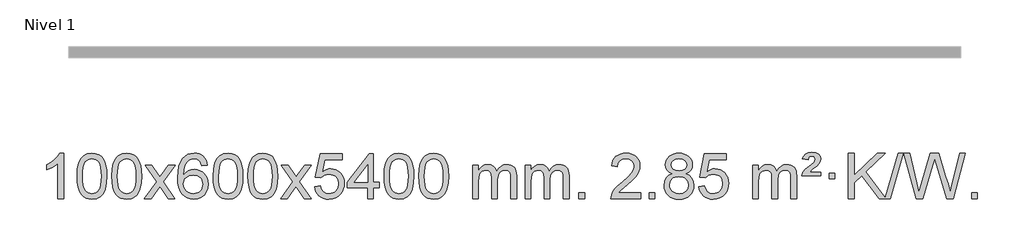
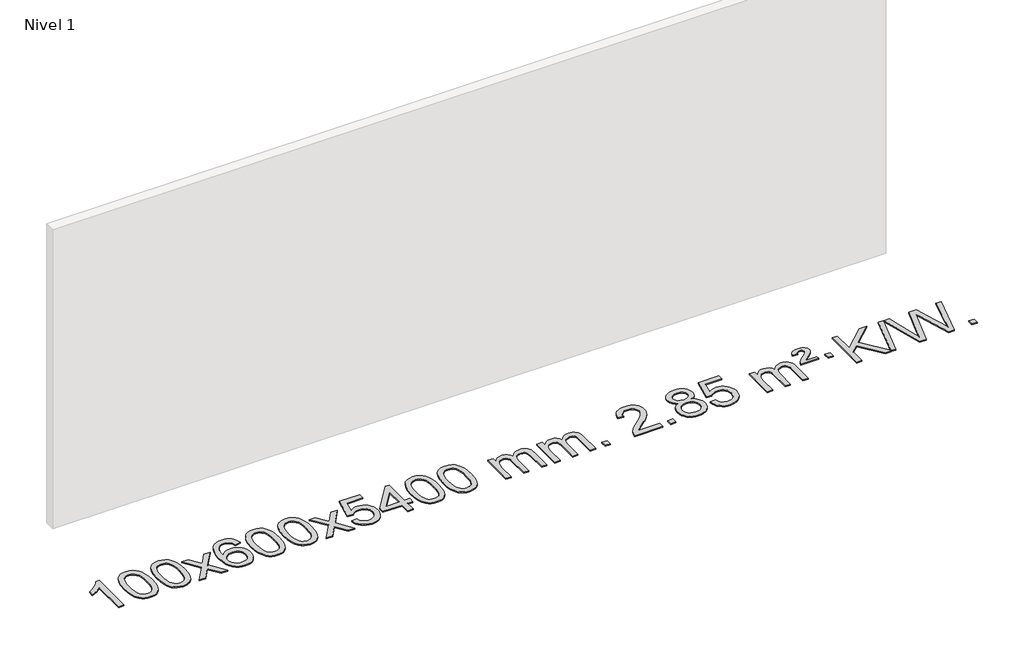
# One storey, part 2 of 10: 1 proxy.
"""IFC4 building model written with IfcOpenShell, lengths in millimetres."""

from ifc_helpers import new_model, si_unit, origin, origin_with_axes, place, context, project, spatial, polyline, outline, extrude, element, save

model = new_model("IFC4")

# Units and contexts
model_context = context("Model", 3, world=origin())
ifc_project = project(units=[si_unit("LENGTHUNIT", "METRE", prefix="MILLI")], contexts=[model_context])

# Site, building, storey
site = spatial("IfcSite", under=ifc_project)
building = spatial("IfcBuilding", under=site)
storey = spatial("IfcBuildingStorey", under=building, Name="Nivel 1", Elevation=0.0)

# Proxy
placement = place(None, origin())
element("IfcBuildingElementProxy", 1, Name="Texto de modelo 1", ObjectType="Texto de modelo 1", at=placement, inside=storey, context=model_context, shape_type="SweptSolid", body=[
    extrude(outline(polyline([(-13075.4615788, -9420.579453), (-13125.6897338, -9420.579453), (-13125.6897338, -9107.4382987), (-13146.6590076, -9124.3976587), (-13173.2691385, -9141.3324932), (-13226.146044, -9166.6918254), (-13226.146044, -9119.2105225), (-13186.6968314, -9097.7507395), (-13152.520594, -9072.219729), (-13125.5793692, -9045.0700378), (-13107.8351943, -9018.7542124), (-13075.4615788, -9018.7542124), (-13075.4615788, -9420.579453)])), origin_with_axes(), (0.0, 0.0, 1.0), 10.0),
    extrude(outline(polyline([(-12956.1697105, -9222.9041943), (-12952.4786278, -9158.5861588), (-12941.4053797, -9107.2911459), (-12923.0603309, -9068.2343407), (-12911.2022679, -9053.0009605), (-12897.5538459, -9040.6309284), (-12882.0690796, -9031.0598651), (-12864.7019837, -9024.2233914), (-12824.3208034, -9018.7542124), (-12793.3696649, -9021.991574), (-12765.6558879, -9031.7036586), (-12742.4793222, -9047.5103217), (-12725.1398175, -9069.0314184), (-12712.0432185, -9096.0830078), (-12701.5953698, -9128.4811488), (-12694.7527647, -9169.6226186), (-12692.4718963, -9222.9041943), (-12696.1261908, -9286.8543477), (-12707.0890743, -9338.0267333), (-12725.3237585, -9377.1203266), (-12737.1542303, -9392.3996922), (-12750.7934553, -9404.8341036), (-12766.2966157, -9414.4695462), (-12783.7188939, -9421.3520052), (-12824.3208034, -9426.8579724), (-12851.9855294, -9424.4667394), (-12876.5109958, -9417.2930405), (-12897.8972024, -9405.3368757), (-12916.1441494, -9388.5982449), (-12933.6553324, -9358.3399508), (-12946.1633202, -9320.6381776), (-12953.6681129, -9275.4929255), (-12956.1697105, -9222.9041943)]), holes=[polyline([(-12905.9415554, -9222.8060924), (-12904.4700274, -9266.4706195), (-12900.0554435, -9301.8148822), (-12892.6978036, -9328.8388804), (-12882.3971077, -9347.5426142), (-12869.9381708, -9360.2682656), (-12856.1058078, -9369.3580165), (-12840.9000186, -9374.8118671), (-12824.3208034, -9376.6298173), (-12807.7415881, -9374.8057357), (-12792.535799, -9369.3334911), (-12778.703436, -9360.2130833), (-12766.2444991, -9347.4445124), (-12755.9438032, -9328.7101217), (-12748.5861633, -9301.6922549), (-12744.1715794, -9266.3909118), (-12742.7000514, -9222.8060924), (-12744.1225284, -9180.2973278), (-12748.3899596, -9145.5753989), (-12755.5023448, -9118.6403055), (-12765.4596842, -9099.4920476), (-12777.7101546, -9086.1440625), (-12791.7019332, -9076.6097875), (-12807.4350198, -9070.8892225), (-12824.9094146, -9068.9823675), (-12841.4027907, -9070.6623619), (-12856.3510624, -9075.7023452), (-12869.7542298, -9084.1023175), (-12881.6122928, -9095.8622786), (-12892.2563452, -9116.708925), (-12899.8592397, -9144.8151094), (-12904.4209765, -9180.1808319), (-12905.9415554, -9222.8060924)])]), origin_with_axes(), (0.0, 0.0, 1.0), 10.0),
    extrude(outline(polyline([(-12648.5222606, -9222.9041943), (-12644.8311779, -9158.5861588), (-12633.7579299, -9107.2911459), (-12615.4128811, -9068.2343407), (-12603.5548181, -9053.0009605), (-12589.9063961, -9040.6309284), (-12574.4216298, -9031.0598651), (-12557.0545339, -9024.2233914), (-12516.6733536, -9018.7542124), (-12485.722215, -9021.991574), (-12458.0084381, -9031.7036586), (-12434.8318724, -9047.5103217), (-12417.4923677, -9069.0314184), (-12404.3957686, -9096.0830078), (-12393.94792, -9128.4811488), (-12387.1053149, -9169.6226186), (-12384.8244465, -9222.9041943), (-12388.478741, -9286.8543477), (-12399.4416244, -9338.0267333), (-12417.6763087, -9377.1203266), (-12429.5067805, -9392.3996922), (-12443.1460055, -9404.8341036), (-12458.6491659, -9414.4695462), (-12476.071444, -9421.3520052), (-12516.6733536, -9426.8579724), (-12544.3380796, -9424.4667394), (-12568.8635459, -9417.2930405), (-12590.2497526, -9405.3368757), (-12608.4966996, -9388.5982449), (-12626.0078825, -9358.3399508), (-12638.5158704, -9320.6381776), (-12646.0206631, -9275.4929255), (-12648.5222606, -9222.9041943)]), holes=[polyline([(-12598.2941056, -9222.8060924), (-12596.8225776, -9266.4706195), (-12592.4079936, -9301.8148822), (-12585.0503537, -9328.8388804), (-12574.7496579, -9347.5426142), (-12562.290721, -9360.2682656), (-12548.4583579, -9369.3580165), (-12533.2525688, -9374.8118671), (-12516.6733536, -9376.6298173), (-12500.0941383, -9374.8057357), (-12484.8883492, -9369.3334911), (-12471.0559862, -9360.2130833), (-12458.5970493, -9347.4445124), (-12448.2963534, -9328.7101217), (-12440.9387135, -9301.6922549), (-12436.5241295, -9266.3909118), (-12435.0526016, -9222.8060924), (-12436.4750786, -9180.2973278), (-12440.7425098, -9145.5753989), (-12447.854895, -9118.6403055), (-12457.8122343, -9099.4920476), (-12470.0627048, -9086.1440625), (-12484.0544833, -9076.6097875), (-12499.78757, -9070.8892225), (-12517.2619648, -9068.9823675), (-12533.7553409, -9070.6623619), (-12548.7036126, -9075.7023452), (-12562.10678, -9084.1023175), (-12573.9648429, -9095.8622786), (-12584.6088953, -9116.708925), (-12592.2117899, -9144.8151094), (-12596.7735266, -9180.1808319), (-12598.2941056, -9222.8060924)])]), origin_with_axes(), (0.0, 0.0, 1.0), 10.0),
    extrude(outline(polyline([(-12359.7103689, -9420.579453), (-12252.3869282, -9272.2494325), (-12353.4318496, -9125.4890419), (-12293.0011005, -9125.4890419), (-12244.2444734, -9196.122385), (-12221.4848406, -9229.4770192), (-12201.7663657, -9202.2047007), (-12146.2407099, -9125.4890419), (-12085.8099608, -9125.4890419), (-12191.9561791, -9272.2494325), (-12089.7340354, -9420.579453), (-12150.1647845, -9420.579453), (-12211.6746541, -9331.4048574), (-12222.9563686, -9315.1199477), (-12299.2796199, -9420.579453), (-12359.7103689, -9420.579453)])), origin_with_axes(), (0.0, 0.0, 1.0), 10.0),
    extrude(outline(polyline([(-11800.9221437, -9125.4890419), (-11851.1502988, -9131.7675613), (-11859.2437027, -9106.874213), (-11870.1820607, -9089.8780648), (-11892.9662189, -9074.2062918), (-11920.5083176, -9068.9823675), (-11943.8565616, -9072.0235253), (-11965.8313794, -9081.1469988), (-11984.7037258, -9100.3627017), (-12000.1179814, -9126.8134171), (-12010.5290419, -9164.227016), (-12014.3918028, -9216.3313693), (-11994.2441322, -9192.8237098), (-11970.0988106, -9176.2567573), (-11943.3047386, -9166.434308), (-11915.2108169, -9163.1601582), (-11891.077758, -9165.398107), (-11868.8086346, -9172.1119534), (-11848.4034466, -9183.3016975), (-11829.862194, -9198.9673391), (-11814.4540698, -9218.1769106), (-11803.4482668, -9239.9984443), (-11796.844785, -9264.4319401), (-11794.6436244, -9291.4773982), (-11798.7884282, -9327.4439945), (-11811.2228396, -9360.786366), (-11830.9167891, -9389.0642287), (-11856.840207, -9409.8372987), (-11887.815871, -9422.602804), (-11922.6665587, -9426.8579724), (-11952.6090874, -9424.0375437), (-11979.6514797, -9415.5762579), (-12003.7937357, -9401.4741147), (-12025.0358552, -9381.7311143), (-12042.3539001, -9355.5133908), (-12054.7239322, -9321.9870783), (-12062.1459515, -9281.1521768), (-12064.6199579, -9233.0086864), (-12061.8731057, -9179.0342663), (-12053.632549, -9132.9693092), (-12039.8982878, -9094.8138149), (-12020.6703222, -9064.5677835), (-11999.8298072, -9044.5243462), (-11975.6660915, -9030.2076052), (-11948.179175, -9021.6175606), (-11917.3690579, -9018.7542124), (-11894.2354118, -9020.5261773), (-11873.2967949, -9025.8420722), (-11854.5532073, -9034.7018969), (-11838.0046489, -9047.1056515), (-11824.0987094, -9062.6364031), (-11813.2829788, -9080.8772186), (-11805.5574569, -9101.8280983), (-11800.9221437, -9125.4890419)]), holes=[polyline([(-12014.3918028, -9290.6925832), (-12011.485535, -9312.9494439), (-12002.7667318, -9334.2007605), (-11989.2286743, -9352.472233), (-11971.8646442, -9365.7895612), (-11950.9076332, -9373.9197533), (-11926.5906333, -9376.6298173), (-11893.4444655, -9371.0134855), (-11879.5293291, -9363.9930708), (-11867.3861575, -9354.1644901), (-11857.5361171, -9341.9262824), (-11850.500374, -9327.6769865), (-11844.8717794, -9293.1451299), (-11850.4267976, -9259.9989621), (-11857.3705702, -9246.3781312), (-11867.0918519, -9234.725469), (-11879.2718117, -9225.3904634), (-11893.5916183, -9218.7226022), (-11928.6507725, -9213.3883133), (-11961.7478893, -9218.7226022), (-11989.4248781, -9234.725469), (-12000.3479076, -9246.2248471), (-12008.1500716, -9259.3858254), (-12012.83137, -9274.2084042), (-12014.3918028, -9290.6925832)])]), origin_with_axes(), (0.0, 0.0, 1.0), 10.0),
    extrude(outline(polyline([(-11750.6939887, -9222.9041943), (-11747.002906, -9158.5861588), (-11735.9296579, -9107.2911459), (-11717.5846091, -9068.2343407), (-11705.7265461, -9053.0009605), (-11692.0781241, -9040.6309284), (-11676.5933578, -9031.0598651), (-11659.2262619, -9024.2233914), (-11618.8450816, -9018.7542124), (-11587.8939431, -9021.991574), (-11560.1801661, -9031.7036586), (-11537.0036004, -9047.5103217), (-11519.6640957, -9069.0314184), (-11506.5674967, -9096.0830078), (-11496.119648, -9128.4811488), (-11489.2770429, -9169.6226186), (-11486.9961745, -9222.9041943), (-11490.650469, -9286.8543477), (-11501.6133525, -9338.0267333), (-11519.8480367, -9377.1203266), (-11531.6785085, -9392.3996922), (-11545.3177335, -9404.8341036), (-11560.8208939, -9414.4695462), (-11578.2431721, -9421.3520052), (-11618.8450816, -9426.8579724), (-11646.5098076, -9424.4667394), (-11671.035274, -9417.2930405), (-11692.4214806, -9405.3368757), (-11710.6684276, -9388.5982449), (-11728.1796106, -9358.3399508), (-11740.6875984, -9320.6381776), (-11748.1923911, -9275.4929255), (-11750.6939887, -9222.9041943)]), holes=[polyline([(-11700.4658336, -9222.8060924), (-11698.9943056, -9266.4706195), (-11694.5797217, -9301.8148822), (-11687.2220818, -9328.8388804), (-11676.9213859, -9347.5426142), (-11664.462449, -9360.2682656), (-11650.630086, -9369.3580165), (-11635.4242968, -9374.8118671), (-11618.8450816, -9376.6298173), (-11602.2658663, -9374.8057357), (-11587.0600772, -9369.3334911), (-11573.2277142, -9360.2130833), (-11560.7687773, -9347.4445124), (-11550.4680814, -9328.7101217), (-11543.1104415, -9301.6922549), (-11538.6958576, -9266.3909118), (-11537.2243296, -9222.8060924), (-11538.6468066, -9180.2973278), (-11542.9142378, -9145.5753989), (-11550.026623, -9118.6403055), (-11559.9839624, -9099.4920476), (-11572.2344328, -9086.1440625), (-11586.2262114, -9076.6097875), (-11601.959298, -9070.8892225), (-11619.4336928, -9068.9823675), (-11635.9270689, -9070.6623619), (-11650.8753406, -9075.7023452), (-11664.278508, -9084.1023175), (-11676.136571, -9095.8622786), (-11686.7806234, -9116.708925), (-11694.3835179, -9144.8151094), (-11698.9452547, -9180.1808319), (-11700.4658336, -9222.8060924)])]), origin_with_axes(), (0.0, 0.0, 1.0), 10.0),
    extrude(outline(polyline([(-11443.0465388, -9222.9041943), (-11439.3554561, -9158.5861588), (-11428.2822081, -9107.2911459), (-11409.9371593, -9068.2343407), (-11398.0790963, -9053.0009605), (-11384.4306743, -9040.6309284), (-11368.945908, -9031.0598651), (-11351.5788121, -9024.2233914), (-11311.1976318, -9018.7542124), (-11280.2464932, -9021.991574), (-11252.5327163, -9031.7036586), (-11229.3561506, -9047.5103217), (-11212.0166459, -9069.0314184), (-11198.9200468, -9096.0830078), (-11188.4721982, -9128.4811488), (-11181.6295931, -9169.6226186), (-11179.3487247, -9222.9041943), (-11183.0030192, -9286.8543477), (-11193.9659026, -9338.0267333), (-11212.2005869, -9377.1203266), (-11224.0310587, -9392.3996922), (-11237.6702837, -9404.8341036), (-11253.1734441, -9414.4695462), (-11270.5957222, -9421.3520052), (-11311.1976318, -9426.8579724), (-11338.8623578, -9424.4667394), (-11363.3878241, -9417.2930405), (-11384.7740308, -9405.3368757), (-11403.0209778, -9388.5982449), (-11420.5321607, -9358.3399508), (-11433.0401486, -9320.6381776), (-11440.5449413, -9275.4929255), (-11443.0465388, -9222.9041943)]), holes=[polyline([(-11392.8183838, -9222.8060924), (-11391.3468558, -9266.4706195), (-11386.9322718, -9301.8148822), (-11379.5746319, -9328.8388804), (-11369.2739361, -9347.5426142), (-11356.8149992, -9360.2682656), (-11342.9826361, -9369.3580165), (-11327.776847, -9374.8118671), (-11311.1976318, -9376.6298173), (-11294.6184165, -9374.8057357), (-11279.4126274, -9369.3334911), (-11265.5802644, -9360.2130833), (-11253.1213275, -9347.4445124), (-11242.8206316, -9328.7101217), (-11235.4629917, -9301.6922549), (-11231.0484077, -9266.3909118), (-11229.5768798, -9222.8060924), (-11230.9993568, -9180.2973278), (-11235.266788, -9145.5753989), (-11242.3791732, -9118.6403055), (-11252.3365125, -9099.4920476), (-11264.586983, -9086.1440625), (-11278.5787615, -9076.6097875), (-11294.3118482, -9070.8892225), (-11311.786243, -9068.9823675), (-11328.2796191, -9070.6623619), (-11343.2278908, -9075.7023452), (-11356.6310582, -9084.1023175), (-11368.4891211, -9095.8622786), (-11379.1331735, -9116.708925), (-11386.7360681, -9144.8151094), (-11391.2978048, -9180.1808319), (-11392.8183838, -9222.8060924)])]), origin_with_axes(), (0.0, 0.0, 1.0), 10.0),
    extrude(outline(polyline([(-11154.2346472, -9420.579453), (-11046.9112064, -9272.2494325), (-11147.9561278, -9125.4890419), (-11087.5253787, -9125.4890419), (-11038.7687516, -9196.122385), (-11016.0091188, -9229.4770192), (-10996.2906439, -9202.2047007), (-10940.7649881, -9125.4890419), (-10880.334239, -9125.4890419), (-10986.4804574, -9272.2494325), (-10884.2583136, -9420.579453), (-10944.6890627, -9420.579453), (-11006.1989323, -9331.4048574), (-11017.4806468, -9315.1199477), (-11093.8038981, -9420.579453), (-11154.2346472, -9420.579453)])), origin_with_axes(), (0.0, 0.0, 1.0), 10.0),
    extrude(outline(polyline([(-10852.8657167, -9313.8446235), (-10802.6375616, -9307.5661041), (-10793.4159863, -9337.7201649), (-10777.3272804, -9359.3148381), (-10754.4450203, -9372.3010725), (-10724.8427824, -9376.6298173), (-10705.7129186, -9375.1245668), (-10688.8393978, -9370.6088153), (-10674.2222198, -9363.0825628), (-10661.8613848, -9352.5458094), (-10652.0328042, -9339.519721), (-10645.0123894, -9324.5254641), (-10639.3960576, -9288.6324441), (-10644.6567702, -9254.8363514), (-10651.2326608, -9240.9181493), (-10660.4389078, -9228.9865099), (-10672.3061678, -9219.4154467), (-10686.8650977, -9212.5789729), (-10724.0579675, -9207.1097939), (-10748.4240183, -9209.2925604), (-10768.1547559, -9215.8408599), (-10783.9123681, -9225.8717757), (-10796.3590422, -9238.5023908), (-10846.5871973, -9232.2238715), (-10802.6375616, -9025.0327318), (-10608.0034607, -9025.0327318), (-10608.0034607, -9075.2608869), (-10762.0233894, -9075.2608869), (-10783.5076979, -9185.919791), (-10765.7819171, -9173.2155994), (-10747.6269406, -9164.1411769), (-10729.0427685, -9158.6965234), (-10710.0294007, -9156.8816388), (-10685.5683137, -9159.1318504), (-10663.0999209, -9165.882485), (-10642.6242221, -9177.1335427), (-10624.1412176, -9192.8850234), (-10608.8403923, -9212.1743027), (-10597.9112313, -9234.038756), (-10591.3537348, -9258.4783832), (-10589.1679026, -9285.4931844), (-10591.1360712, -9311.5147042), (-10597.0405773, -9335.7213394), (-10606.8814206, -9358.1130902), (-10620.6586013, -9378.6899565), (-10641.5297732, -9399.7634634), (-10665.8835613, -9414.8159684), (-10693.7199656, -9423.8474714), (-10725.0389861, -9426.8579724), (-10750.9593384, -9424.9235262), (-10774.3719617, -9419.1201877), (-10795.276856, -9409.447957), (-10813.6740215, -9395.9068338), (-10828.9809782, -9379.1712688), (-10840.6152463, -9359.915712), (-10848.5768258, -9338.1401636), (-10852.8657167, -9313.8446235)])), origin_with_axes(), (0.0, 0.0, 1.0), 10.0),
    extrude(outline(polyline([(-10381.9767629, -9420.579453), (-10381.9767629, -9326.4016622), (-10564.053825, -9326.4016622), (-10564.053825, -9276.1735072), (-10369.4197241, -9025.0327318), (-10331.7486078, -9025.0327318), (-10331.7486078, -9276.1735072), (-10281.5204527, -9276.1735072), (-10281.5204527, -9326.4016622), (-10331.7486078, -9326.4016622), (-10331.7486078, -9420.579453), (-10381.9767629, -9420.579453)]), holes=[polyline([(-10381.9767629, -9276.1735072), (-10381.9767629, -9120.9763561), (-10502.2496498, -9276.1735072), (-10381.9767629, -9276.1735072)])]), origin_with_axes(), (0.0, 0.0, 1.0), 10.0),
    extrude(outline(polyline([(-10237.570817, -9222.9041943), (-10233.8797344, -9158.5861588), (-10222.8064863, -9107.2911459), (-10204.4614375, -9068.2343407), (-10192.6033745, -9053.0009605), (-10178.9549525, -9040.6309284), (-10163.4701862, -9031.0598651), (-10146.1030903, -9024.2233914), (-10105.72191, -9018.7542124), (-10074.7707714, -9021.991574), (-10047.0569945, -9031.7036586), (-10023.8804288, -9047.5103217), (-10006.5409241, -9069.0314184), (-9993.444325, -9096.0830078), (-9982.9964764, -9128.4811488), (-9976.1538713, -9169.6226186), (-9973.8730029, -9222.9041943), (-9977.5272974, -9286.8543477), (-9988.4901808, -9338.0267333), (-10006.7248651, -9377.1203266), (-10018.5553369, -9392.3996922), (-10032.1945619, -9404.8341036), (-10047.6977223, -9414.4695462), (-10065.1200004, -9421.3520052), (-10105.72191, -9426.8579724), (-10133.386636, -9424.4667394), (-10157.9121024, -9417.2930405), (-10179.298309, -9405.3368757), (-10197.545256, -9388.5982449), (-10215.0564389, -9358.3399508), (-10227.5644268, -9320.6381776), (-10235.0692195, -9275.4929255), (-10237.570817, -9222.9041943)]), holes=[polyline([(-10187.342662, -9222.8060924), (-10185.871134, -9266.4706195), (-10181.45655, -9301.8148822), (-10174.0989101, -9328.8388804), (-10163.7982143, -9347.5426142), (-10151.3392774, -9360.2682656), (-10137.5069144, -9369.3580165), (-10122.3011252, -9374.8118671), (-10105.72191, -9376.6298173), (-10089.1426947, -9374.8057357), (-10073.9369056, -9369.3334911), (-10060.1045426, -9360.2130833), (-10047.6456057, -9347.4445124), (-10037.3449098, -9328.7101217), (-10029.9872699, -9301.6922549), (-10025.572686, -9266.3909118), (-10024.101158, -9222.8060924), (-10025.523635, -9180.2973278), (-10029.7910662, -9145.5753989), (-10036.9034514, -9118.6403055), (-10046.8607907, -9099.4920476), (-10059.1112612, -9086.1440625), (-10073.1030397, -9076.6097875), (-10088.8361264, -9070.8892225), (-10106.3105212, -9068.9823675), (-10122.8038973, -9070.6623619), (-10137.752169, -9075.7023452), (-10151.1553364, -9084.1023175), (-10163.0133993, -9095.8622786), (-10173.6574517, -9116.708925), (-10181.2603463, -9144.8151094), (-10185.8220831, -9180.1808319), (-10187.342662, -9222.8060924)])]), origin_with_axes(), (0.0, 0.0, 1.0), 10.0),
    extrude(outline(polyline([(-9929.9233672, -9222.9041943), (-9926.2322845, -9158.5861588), (-9915.1590365, -9107.2911459), (-9896.8139876, -9068.2343407), (-9884.9559247, -9053.0009605), (-9871.3075026, -9040.6309284), (-9855.8227363, -9031.0598651), (-9838.4556405, -9024.2233914), (-9798.0744601, -9018.7542124), (-9767.1233216, -9021.991574), (-9739.4095446, -9031.7036586), (-9716.2329789, -9047.5103217), (-9698.8934742, -9069.0314184), (-9685.7968752, -9096.0830078), (-9675.3490265, -9128.4811488), (-9668.5064214, -9169.6226186), (-9666.2255531, -9222.9041943), (-9669.8798475, -9286.8543477), (-9680.842731, -9338.0267333), (-9699.0774152, -9377.1203266), (-9710.9078871, -9392.3996922), (-9724.547112, -9404.8341036), (-9740.0502724, -9414.4695462), (-9757.4725506, -9421.3520052), (-9798.0744601, -9426.8579724), (-9825.7391862, -9424.4667394), (-9850.2646525, -9417.2930405), (-9871.6508592, -9405.3368757), (-9889.8978061, -9388.5982449), (-9907.4089891, -9358.3399508), (-9919.9169769, -9320.6381776), (-9927.4217696, -9275.4929255), (-9929.9233672, -9222.9041943)]), holes=[polyline([(-9879.6952121, -9222.8060924), (-9878.2236842, -9266.4706195), (-9873.8091002, -9301.8148822), (-9866.4514603, -9328.8388804), (-9856.1507644, -9347.5426142), (-9843.6918275, -9360.2682656), (-9829.8594645, -9369.3580165), (-9814.6536754, -9374.8118671), (-9798.0744601, -9376.6298173), (-9781.4952449, -9374.8057357), (-9766.2894558, -9369.3334911), (-9752.4570927, -9360.2130833), (-9739.9981558, -9347.4445124), (-9729.69746, -9328.7101217), (-9722.3398201, -9301.6922549), (-9717.9252361, -9266.3909118), (-9716.4537081, -9222.8060924), (-9717.8761852, -9180.2973278), (-9722.1436163, -9145.5753989), (-9729.2560016, -9118.6403055), (-9739.2133409, -9099.4920476), (-9751.4638113, -9086.1440625), (-9765.4555899, -9076.6097875), (-9781.1886766, -9070.8892225), (-9798.6630713, -9068.9823675), (-9815.1564474, -9070.6623619), (-9830.1047192, -9075.7023452), (-9843.5078865, -9084.1023175), (-9855.3659495, -9095.8622786), (-9866.0100019, -9116.708925), (-9873.6128965, -9144.8151094), (-9878.1746332, -9180.1808319), (-9879.6952121, -9222.8060924)])]), origin_with_axes(), (0.0, 0.0, 1.0), 10.0),
    extrude(outline(polyline([(-9452.755894, -9420.579453), (-9452.755894, -9125.4890419), (-9402.5277389, -9125.4890419), (-9402.5277389, -9174.0494653), (-9387.4200517, -9151.7435537), (-9367.9958823, -9134.2691589), (-9344.9174185, -9122.9751816), (-9318.8468478, -9119.2105225), (-9290.9123416, -9123.048758), (-9268.5205908, -9134.5634645), (-9251.7942228, -9152.9943524), (-9240.8558648, -9177.5811324), (-9222.5476041, -9152.0439906), (-9201.6641696, -9133.803175), (-9178.205561, -9122.8586857), (-9152.1717785, -9119.2105225), (-9132.0639617, -9120.7280358), (-9114.414823, -9125.2805755), (-9099.2243623, -9132.8681416), (-9086.4925796, -9143.4907342), (-9076.4279413, -9157.2709806), (-9069.238914, -9174.3315082), (-9064.9254976, -9194.6723168), (-9063.4876922, -9218.2934066), (-9063.4876922, -9420.579453), (-9113.7158472, -9420.579453), (-9113.7158472, -9239.875817), (-9114.8808069, -9214.8230531), (-9118.3756858, -9197.9372695), (-9124.9239854, -9186.3735121), (-9135.2492067, -9177.2868268), (-9148.5297467, -9171.4007149), (-9163.9440023, -9169.4386776), (-9191.1550072, -9174.4663982), (-9213.3382915, -9189.54956), (-9221.9436645, -9201.1194488), (-9228.0903595, -9215.7182326), (-9233.0077155, -9254.0024856), (-9233.0077155, -9420.579453), (-9283.2358706, -9420.579453), (-9283.2358706, -9234.2840106), (-9286.1421384, -9205.8835206), (-9294.8609417, -9185.6254854), (-9310.2016209, -9173.4853796), (-9332.9735164, -9169.4386776), (-9352.3241093, -9172.1364789), (-9370.1541233, -9180.2298828), (-9384.8694032, -9193.5226856), (-9394.8757934, -9211.8186835), (-9400.6147525, -9237.2025411), (-9402.5277389, -9271.7589232), (-9402.5277389, -9420.579453), (-9452.755894, -9420.579453)])), origin_with_axes(), (0.0, 0.0, 1.0), 10.0),
    extrude(outline(polyline([(-8988.1454596, -9420.579453), (-8988.1454596, -9125.4890419), (-8937.9173045, -9125.4890419), (-8937.9173045, -9174.0494653), (-8922.8096172, -9151.7435537), (-8903.3854479, -9134.2691589), (-8880.306984, -9122.9751816), (-8854.2364133, -9119.2105225), (-8826.3019071, -9123.048758), (-8803.9101564, -9134.5634645), (-8787.1837883, -9152.9943524), (-8776.2454303, -9177.5811324), (-8757.9371697, -9152.0439906), (-8737.0537351, -9133.803175), (-8713.5951266, -9122.8586857), (-8687.561344, -9119.2105225), (-8667.4535273, -9120.7280358), (-8649.8043886, -9125.2805755), (-8634.6139279, -9132.8681416), (-8621.8821452, -9143.4907342), (-8611.8175069, -9157.2709806), (-8604.6284796, -9174.3315082), (-8600.3150632, -9194.6723168), (-8598.8772577, -9218.2934066), (-8598.8772577, -9420.579453), (-8649.1054128, -9420.579453), (-8649.1054128, -9239.875817), (-8650.2703724, -9214.8230531), (-8653.7652514, -9197.9372695), (-8660.3135509, -9186.3735121), (-8670.6387722, -9177.2868268), (-8683.9193123, -9171.4007149), (-8699.3335679, -9169.4386776), (-8726.5445728, -9174.4663982), (-8748.7278571, -9189.54956), (-8757.3332301, -9201.1194488), (-8763.4799251, -9215.7182326), (-8768.3972811, -9254.0024856), (-8768.3972811, -9420.579453), (-8818.6254362, -9420.579453), (-8818.6254362, -9234.2840106), (-8821.5317039, -9205.8835206), (-8830.2505072, -9185.6254854), (-8845.5911864, -9173.4853796), (-8868.3630819, -9169.4386776), (-8887.7136749, -9172.1364789), (-8905.5436889, -9180.2298828), (-8920.2589687, -9193.5226856), (-8930.265359, -9211.8186835), (-8936.0043181, -9237.2025411), (-8937.9173045, -9271.7589232), (-8937.9173045, -9420.579453), (-8988.1454596, -9420.579453)])), origin_with_axes(), (0.0, 0.0, 1.0), 10.0),
    extrude(outline(polyline([(-8510.9779863, -9420.579453), (-8510.9779863, -9370.3512979), (-8460.7498313, -9370.3512979), (-8460.7498313, -9420.579453), (-8510.9779863, -9420.579453)])), origin_with_axes(), (0.0, 0.0, 1.0), 10.0),
    extrude(outline(polyline([(-7964.7467999, -9370.3512979), (-7964.7467999, -9420.579453), (-8228.444614, -9420.579453), (-8227.3409681, -9402.8965918), (-8223.0490115, -9385.9494945), (-8210.6636509, -9358.8856424), (-8192.5393313, -9332.6311307), (-8166.3216078, -9305.1503456), (-8129.6560356, -9274.4076736), (-8075.454755, -9226.2641831), (-8042.9339866, -9190.7267824), (-8026.6736024, -9161.884834), (-8021.2534744, -9133.8277005), (-8026.3670341, -9108.6768347), (-8041.7077133, -9087.7688747), (-8065.2889492, -9073.6789943), (-8095.124179, -9068.9823675), (-8126.4554623, -9073.5686297), (-8150.7969876, -9087.3274163), (-8166.5055488, -9109.1796068), (-8171.9379396, -9138.0460807), (-8222.1660947, -9131.7675613), (-8217.8465469, -9105.838012), (-8209.9892006, -9083.1826125), (-8198.5940558, -9063.8013627), (-8183.6611125, -9047.6942627), (-8165.5337272, -9035.0329907), (-8144.5552564, -9025.989225), (-8120.7257002, -9020.5629655), (-8094.0450585, -9018.7542124), (-8067.1252935, -9020.7653006), (-8043.1669785, -9026.7985654), (-8022.1701137, -9036.8540066), (-8004.1346989, -9050.9316242), (-7989.6493453, -9067.9890861), (-7979.3026642, -9086.9840598), (-7973.0946555, -9107.9165453), (-7971.0253193, -9130.7865427), (-7973.2571367, -9154.8092369), (-7979.952589, -9178.4149983), (-7991.8351775, -9202.4254299), (-8009.6284033, -9227.6621347), (-8037.9921051, -9257.7916701), (-8081.5861216, -9296.4805933), (-8139.3681203, -9344.795762), (-8162.0296512, -9370.3512979), (-7964.7467999, -9370.3512979)])), origin_with_axes(), (0.0, 0.0, 1.0), 10.0),
    extrude(outline(polyline([(-7889.4045673, -9420.579453), (-7889.4045673, -9370.3512979), (-7839.1764122, -9370.3512979), (-7839.1764122, -9420.579453), (-7889.4045673, -9420.579453)])), origin_with_axes(), (0.0, 0.0, 1.0), 10.0),
    extrude(outline(polyline([(-7684.3716686, -9199.2616447), (-7711.2638425, -9186.0178929), (-7730.1361888, -9168.0652515), (-7741.2830133, -9145.7716026), (-7744.9986215, -9119.5048281), (-7742.9752705, -9099.0199324), (-7736.9052176, -9080.2395565), (-7726.7884627, -9063.1637006), (-7712.6250059, -9047.7923645), (-7695.0954288, -9035.088173), (-7674.8803132, -9026.0137504), (-7651.979659, -9020.5690969), (-7626.3934662, -9018.7542124), (-7600.6846461, -9020.6120165), (-7577.6123136, -9026.1854287), (-7557.1764688, -9035.4744491), (-7539.3771116, -9048.4790776), (-7524.9561374, -9064.1508506), (-7514.6554415, -9081.4413044), (-7508.475024, -9100.3504389), (-7506.4148848, -9120.8782543), (-7510.0814421, -9146.2989001), (-7521.0811137, -9168.2124043), (-7539.5365271, -9186.0546811), (-7565.5703097, -9199.2616447), (-7534.6559593, -9215.1909351), (-7512.153844, -9238.6495436), (-7498.4318456, -9268.5092989), (-7493.8578461, -9303.6420295), (-7496.1264517, -9328.6947933), (-7502.9322686, -9351.6628926), (-7514.2752968, -9372.5463272), (-7530.1555363, -9391.3450971), (-7549.7391211, -9406.88198), (-7572.1921856, -9417.9797536), (-7597.5147296, -9424.6384177), (-7625.7067531, -9426.8579724), (-7653.8987767, -9424.6292206), (-7679.2213207, -9417.9429654), (-7701.6743852, -9406.7992066), (-7721.25797, -9391.1979443), (-7737.1382095, -9372.26735), (-7748.4812377, -9351.135595), (-7755.2870546, -9327.8026795), (-7757.5556602, -9302.2686033), (-7752.7977197, -9265.7747094), (-7738.5238983, -9235.7555386), (-7715.46996, -9213.2411605), (-7684.3716686, -9199.2616447)]), holes=[polyline([(-7694.7704664, -9120.9763561), (-7690.3190942, -9142.902123), (-7676.9649778, -9160.413306), (-7655.1005246, -9171.8912243), (-7625.118142, -9175.717197), (-7595.8347351, -9171.9157497), (-7574.3013757, -9160.5114079), (-7561.0576239, -9143.5888361), (-7556.6430399, -9123.232699), (-7561.2047767, -9102.1040098), (-7574.8899869, -9084.629615), (-7596.7176519, -9072.8941794), (-7625.7067531, -9068.9823675), (-7654.8797954, -9072.8083402), (-7676.6706722, -9084.2862585), (-7690.2455178, -9101.1107284), (-7694.7704664, -9120.9763561)]), polyline([(-7707.3275051, -9300.5027698), (-7705.2305778, -9319.7184726), (-7698.9397957, -9338.3210389), (-7687.3269873, -9354.5446349), (-7669.2639814, -9366.623427), (-7647.6325201, -9374.1282197), (-7625.3143457, -9376.6298173), (-7591.1258456, -9371.3691048), (-7577.2321689, -9364.7932141), (-7565.4722078, -9355.5869672), (-7549.4325528, -9331.6869002), (-7544.0860012, -9302.0723996), (-7549.6042311, -9271.9551269), (-7566.1589209, -9247.5277625), (-7578.237713, -9238.0854579), (-7592.4011699, -9231.3409547), (-7626.9820774, -9225.9453521), (-7660.6923309, -9231.2673783), (-7674.4296577, -9237.919911), (-7686.0884513, -9247.2334569), (-7702.0177417, -9271.1948375), (-7707.3275051, -9300.5027698)])]), origin_with_axes(), (0.0, 0.0, 1.0), 10.0),
    extrude(outline(polyline([(-7449.9082104, -9313.8446235), (-7399.6800553, -9307.5661041), (-7390.45848, -9337.7201649), (-7374.369774, -9359.3148381), (-7351.4875139, -9372.3010725), (-7321.8852761, -9376.6298173), (-7302.7554123, -9375.1245668), (-7285.8818915, -9370.6088153), (-7271.2647135, -9363.0825628), (-7258.9038785, -9352.5458094), (-7249.0752979, -9339.519721), (-7242.0548831, -9324.5254641), (-7236.4385513, -9288.6324441), (-7241.6992639, -9254.8363514), (-7248.2751545, -9240.9181493), (-7257.4814014, -9228.9865099), (-7269.3486615, -9219.4154467), (-7283.9075914, -9212.5789729), (-7321.1004611, -9207.1097939), (-7345.466512, -9209.2925604), (-7365.1972496, -9215.8408599), (-7380.9548618, -9225.8717757), (-7393.4015359, -9238.5023908), (-7443.629691, -9232.2238715), (-7399.6800553, -9025.0327318), (-7205.0459544, -9025.0327318), (-7205.0459544, -9075.2608869), (-7359.065883, -9075.2608869), (-7380.5501916, -9185.919791), (-7362.8244108, -9173.2155994), (-7344.6694343, -9164.1411769), (-7326.0852622, -9158.6965234), (-7307.0718944, -9156.8816388), (-7282.6108074, -9159.1318504), (-7260.1424145, -9165.882485), (-7239.6667158, -9177.1335427), (-7221.1837113, -9192.8850234), (-7205.8828859, -9212.1743027), (-7194.953725, -9234.038756), (-7188.3962284, -9258.4783832), (-7186.2103962, -9285.4931844), (-7188.1785649, -9311.5147042), (-7194.0830709, -9335.7213394), (-7203.9239143, -9358.1130902), (-7217.701095, -9378.6899565), (-7238.5722669, -9399.7634634), (-7262.926055, -9414.8159684), (-7290.7624593, -9423.8474714), (-7322.0814798, -9426.8579724), (-7348.001832, -9424.9235262), (-7371.4144553, -9419.1201877), (-7392.3193497, -9409.447957), (-7410.7165152, -9395.9068338), (-7426.0234719, -9379.1712688), (-7437.6577399, -9359.915712), (-7445.6193195, -9338.1401636), (-7449.9082104, -9313.8446235)])), origin_with_axes(), (0.0, 0.0, 1.0), 10.0),
    extrude(outline(polyline([(-6972.7407372, -9420.579453), (-6972.7407372, -9125.4890419), (-6922.5125821, -9125.4890419), (-6922.5125821, -9174.0494653), (-6907.4048948, -9151.7435537), (-6887.9807255, -9134.2691589), (-6864.9022617, -9122.9751816), (-6838.8316909, -9119.2105225), (-6810.8971848, -9123.048758), (-6788.505434, -9134.5634645), (-6771.7790659, -9152.9943524), (-6760.840708, -9177.5811324), (-6742.5324473, -9152.0439906), (-6721.6490127, -9133.803175), (-6698.1904042, -9122.8586857), (-6672.1566217, -9119.2105225), (-6652.0488049, -9120.7280358), (-6634.3996662, -9125.2805755), (-6619.2092055, -9132.8681416), (-6606.4774228, -9143.4907342), (-6596.4127845, -9157.2709806), (-6589.2237572, -9174.3315082), (-6584.9103408, -9194.6723168), (-6583.4725353, -9218.2934066), (-6583.4725353, -9420.579453), (-6633.7006904, -9420.579453), (-6633.7006904, -9239.875817), (-6634.8656501, -9214.8230531), (-6638.360529, -9197.9372695), (-6644.9088285, -9186.3735121), (-6655.2340499, -9177.2868268), (-6668.5145899, -9171.4007149), (-6683.9288455, -9169.4386776), (-6711.1398504, -9174.4663982), (-6733.3231347, -9189.54956), (-6741.9285077, -9201.1194488), (-6748.0752027, -9215.7182326), (-6752.9925587, -9254.0024856), (-6752.9925587, -9420.579453), (-6803.2207138, -9420.579453), (-6803.2207138, -9234.2840106), (-6806.1269816, -9205.8835206), (-6814.8457848, -9185.6254854), (-6830.186464, -9173.4853796), (-6852.9583595, -9169.4386776), (-6872.3089525, -9172.1364789), (-6890.1389665, -9180.2298828), (-6904.8542463, -9193.5226856), (-6914.8606366, -9211.8186835), (-6920.5995957, -9237.2025411), (-6922.5125821, -9271.7589232), (-6922.5125821, -9420.579453), (-6972.7407372, -9420.579453)])), origin_with_axes(), (0.0, 0.0, 1.0), 10.0),
    extrude(outline(polyline([(-6539.5228997, -9219.6668327), (-6535.6969269, -9203.8479069), (-6527.3582683, -9187.9799302), (-6505.8494344, -9162.8413272), (-6473.8927517, -9135.1030247), (-6429.7469123, -9097.726214), (-6422.6100016, -9086.1992448), (-6420.2310314, -9074.3779701), (-6422.1194923, -9062.2869152), (-6427.784875, -9052.5012541), (-6437.1536031, -9046.026531), (-6450.1521003, -9043.8682899), (-6462.5865117, -9045.4869707), (-6471.4402051, -9050.343013), (-6477.8658773, -9059.8098431), (-6483.0162252, -9075.2608869), (-6533.2443803, -9068.9823675), (-6522.4041241, -9043.7701881), (-6505.775858, -9026.2099542), (-6482.0106811, -9015.9092583), (-6449.7596928, -9012.475693), (-6413.9770374, -9016.6082341), (-6389.2308419, -9029.0058573), (-6374.8098677, -9047.3386434), (-6370.0028763, -9069.2766731), (-6374.0986292, -9092.1834586), (-6386.3858878, -9113.8149199), (-6406.9137031, -9133.6314968), (-6443.3830716, -9161.6886303), (-6468.9876584, -9188.2742358), (-6370.0028763, -9188.2742358), (-6370.0028763, -9219.6668327), (-6539.5228997, -9219.6668327)])), origin_with_axes(), (0.0, 0.0, 1.0), 10.0),
    extrude(outline(polyline([(-6294.6606437, -9244.7809102), (-6294.6606437, -9194.5527552), (-6244.4324886, -9194.5527552), (-6244.4324886, -9244.7809102), (-6294.6606437, -9244.7809102)])), origin_with_axes(), (0.0, 0.0, 1.0), 10.0),
    extrude(outline(polyline([(-5853.7908606, -9420.579453), (-6007.2221781, -9217.9009991), (-6074.9124652, -9282.4520265), (-6074.9124652, -9420.579453), (-6125.1406203, -9420.579453), (-6125.1406203, -9018.7542124), (-6074.9124652, -9018.7542124), (-6074.9124652, -9215.4484525), (-5868.8985479, -9018.7542124), (-5798.6576123, -9018.7542124), (-5971.611201, -9183.9577537), (-5796.9575911, -9414.5349332), (-5685.6442634, -9018.7542124), (-5640.3212016, -9018.7542124), (-5753.3345505, -9420.579453), (-5792.3790929, -9420.579453), (-5798.6576123, -9420.579453), (-5853.7908606, -9420.579453)])), origin_with_axes(), (0.0, 0.0, 1.0), 10.0),
    extrude(outline(polyline([(-5525.8363247, -9420.579453), (-5635.4161083, -9018.7542124), (-5583.6183234, -9018.7542124), (-5520.0483146, -9282.844434), (-5500.4279415, -9364.3670841), (-5479.4341424, -9292.2622131), (-5399.7754277, -9018.7542124), (-5325.1199081, -9018.7542124), (-5267.2398075, -9217.0180823), (-5242.4445611, -9290.5944814), (-5224.1730886, -9364.3670841), (-5205.1413268, -9285.1988788), (-5140.9827068, -9018.7542124), (-5089.1849219, -9018.7542124), (-5198.8628074, -9420.579453), (-5252.5245277, -9420.579453), (-5348.8605595, -9110.5775584), (-5362.3005151, -9067.3146358), (-5377.4082024, -9119.4067263), (-5465.2093719, -9420.579453), (-5525.8363247, -9420.579453)])), origin_with_axes(), (0.0, 0.0, 1.0), 10.0),
    extrude(outline(polyline([(-5032.6782474, -9420.579453), (-5032.6782474, -9370.3512979), (-4982.4500923, -9370.3512979), (-4982.4500923, -9420.579453), (-5032.6782474, -9420.579453)])), origin_with_axes(), (0.0, 0.0, 1.0), 10.0),
])

save(model, "model.ifc")
